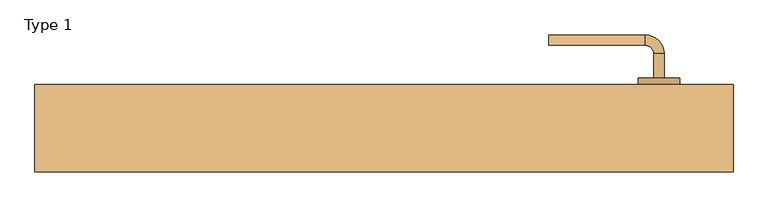
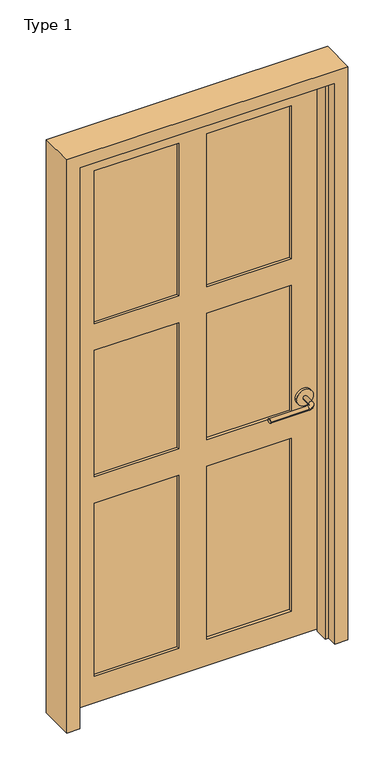
"""IFC4 building model written with IfcOpenShell, lengths in millimetres: door geometry, Type 1."""

from ifc_helpers import new_model, si_unit, point, frame, frame_2d, origin, place, context, project, spatial, circle_curve, ellipse_curve, trimmed, segment, composite_curve, outline, extrude, faceted_brep, source, transform, mapped, element, save
from ifc_brep_helpers import plane_surface, cylinder_surface, revolved_surface, advanced_brep


def type_1_5cb65720(model_context):
    return source(origin(), model_context, "Body", "SolidModel", [
        advanced_brep(
        [(509.0006555, 20.8295325, 914.4), (494.0006555, 20.8295325, 914.4), (494.0006555, -14.1704675, 914.4), (509.0006555, -14.1704675, 914.4), (481.5006555, -26.6704675, 914.4), (481.5006555, -41.6704675, 914.4), (341.5006555, -41.6704675, 914.4), (341.5006555, -26.6704675, 914.4)],
        [
            (0, 1, circle_curve(frame((501.5006555, 20.8295325, 914.4), z_axis=(0.0, 1.0, 0.0), x_axis=(-1.0, 0.0, 0.0)), 7.5)),
            (1, 0, circle_curve(frame((501.5006555, 20.8295325, 914.4), z_axis=(0.0, 1.0, 0.0), x_axis=(-1.0, 0.0, 0.0)), 7.5)),
            (1, 2),
            (2, 3, circle_curve(frame((501.5006555, -14.1704675, 914.4), z_axis=(0.0, 1.0, 0.0), x_axis=(-1.0, 0.0, 0.0)), 7.5)),
            (3, 0),
            (3, 2, circle_curve(frame((501.5006555, -14.1704675, 914.4), z_axis=(0.0, 1.0, 0.0), x_axis=(-1.0, 0.0, 0.0)), 7.5)),
            (4, 5, circle_curve(frame((481.5006555, -34.1704675, 914.4), z_axis=(1.0, 0.0, 0.0), x_axis=(0.0, 1.0, 0.0)), 7.5)),
            (5, 3, circle_curve(frame((481.5006555, -14.1704675, 914.4), z_axis=(0.0, 0.0, 1.0), x_axis=(1.0, 0.0, 0.0)), 27.5)),
            (2, 4, circle_curve(frame((481.5006555, -14.1704675, 914.4), z_axis=(0.0, 0.0, -1.0), x_axis=(1.0, 0.0, 0.0)), 12.5)),
            (5, 4, circle_curve(frame((481.5006555, -34.1704675, 914.4), z_axis=(1.0, 0.0, 0.0), x_axis=(0.0, 1.0, 0.0)), 7.5)),
            (6, 7, circle_curve(frame((341.5006555, -34.1704675, 914.4), z_axis=(-1.0, 0.0, 0.0), x_axis=(0.0, 1.0, 0.0)), 7.5)),
            (7, 6, circle_curve(frame((341.5006555, -34.1704675, 914.4), z_axis=(-1.0, 0.0, 0.0), x_axis=(0.0, 1.0, 0.0)), 7.5)),
            (4, 7),
            (6, 5),
        ],
        [
            plane_surface(frame((501.5006555, 20.8295325, 914.4), z_axis=(0.0, 1.0, 0.0), x_axis=(0.0, 0.0, 1.0))),
            cylinder_surface(frame((501.5006555, 20.8295325, 914.4), z_axis=(0.0, 1.0, 0.0), x_axis=(-1.0, 0.0, 0.0)), 7.5),
            revolved_surface(trimmed(ellipse_curve(frame((501.5006555, -14.1704675, 914.4), z_axis=(0.0, -1.0, 0.0), x_axis=(-1.0, 0.0, 0.0)), 7.5, 7.5), [point((509.0006555, -14.1704675, 914.4))], [point((494.0006555, -14.1704675, 914.4))], True, "CARTESIAN"), (481.5006555, -14.1704675, 914.4), (0.0, 0.0, 1.0)),
            revolved_surface(trimmed(ellipse_curve(frame((501.5006555, -14.1704675, 914.4), z_axis=(0.0, -1.0, 0.0), x_axis=(-1.0, 0.0, 0.0)), 7.5, 7.5), [point((494.0006555, -14.1704675, 914.4))], [point((509.0006555, -14.1704675, 914.4))], True, "CARTESIAN"), (481.5006555, -14.1704675, 914.4), (0.0, 0.0, 1.0)),
            plane_surface(frame((341.5006555, -34.1704675, 914.4), z_axis=(-1.0, 0.0, 0.0), x_axis=(0.0, 0.0, 1.0))),
            cylinder_surface(frame((481.5006555, -34.1704675, 914.4), z_axis=(1.0, 0.0, 0.0), x_axis=(0.0, 1.0, 0.0)), 7.5),
        ],
        [
            (0, [[1, 2]]),
            (1, [[3, 4, 5, -2]]),
            (1, [[-5, 6, -3, -1]]),
            (2, [[7, 8, -4, 9]]),
            (3, [[10, -9, -6, -8]]),
            (4, [[11, 12]]),
            (5, [[13, -11, 14, -7]]),
            (5, [[-14, -12, -13, -10]]),
        ],
    ),
        extrude(outline(composite_curve([segment(trimmed(circle_curve(frame_2d((914.4, 501.5006555)), 30.0), [point((914.4, 531.5006555))], [point((914.4, 471.5006555))], False, "CARTESIAN"), True, "CONTINUOUS"), segment(trimmed(circle_curve(frame_2d((914.4, 501.5006555)), 30.0), [point((914.4, 471.5006555))], [point((914.4, 531.5006555))], False, "CARTESIAN"), True, "CONTINUOUS")], self_intersect=False)), frame((0.0, 20.8295325, 0.0), z_axis=(0.0, 1.0, 0.0), x_axis=(0.0, 0.0, 1.0)), (0.0, 0.0, 1.0), 10.0),
        advanced_brep(
        [(509.0006555, 75.7545325, 914.4), (494.0006555, 75.7545325, 914.4), (509.0006555, 110.7545325, 914.4), (494.0006555, 110.7545325, 914.4), (481.5006555, 123.2545325, 914.4), (481.5006555, 138.2545325, 914.4), (341.5006555, 138.2545325, 914.4), (341.5006555, 123.2545325, 914.4)],
        [
            (0, 1, circle_curve(frame((501.5006555, 75.7545325, 914.4), z_axis=(0.0, -1.0, 0.0), x_axis=(-1.0, 0.0, 0.0)), 7.5)),
            (1, 0, circle_curve(frame((501.5006555, 75.7545325, 914.4), z_axis=(0.0, -1.0, 0.0), x_axis=(-1.0, 0.0, 0.0)), 7.5)),
            (0, 2),
            (2, 3, circle_curve(frame((501.5006555, 110.7545325, 914.4), z_axis=(0.0, -1.0, 0.0), x_axis=(-1.0, 0.0, 0.0)), 7.5)),
            (3, 1),
            (3, 2, circle_curve(frame((501.5006555, 110.7545325, 914.4), z_axis=(0.0, -1.0, 0.0), x_axis=(-1.0, 0.0, 0.0)), 7.5)),
            (4, 3, circle_curve(frame((481.5006555, 110.7545325, 914.4), z_axis=(0.0, 0.0, -1.0), x_axis=(1.0, 0.0, 0.0)), 12.5)),
            (2, 5, circle_curve(frame((481.5006555, 110.7545325, 914.4), z_axis=(0.0, 0.0, 1.0), x_axis=(1.0, 0.0, 0.0)), 27.5)),
            (5, 4, circle_curve(frame((481.5006555, 130.7545325, 914.4), z_axis=(1.0, 0.0, 0.0), x_axis=(0.0, -1.0, 0.0)), 7.5)),
            (4, 5, circle_curve(frame((481.5006555, 130.7545325, 914.4), z_axis=(1.0, 0.0, 0.0), x_axis=(0.0, -1.0, 0.0)), 7.5)),
            (6, 7, circle_curve(frame((341.5006555, 130.7545325, 914.4), z_axis=(-1.0, 0.0, 0.0), x_axis=(0.0, -1.0, 0.0)), 7.5)),
            (7, 6, circle_curve(frame((341.5006555, 130.7545325, 914.4), z_axis=(-1.0, 0.0, 0.0), x_axis=(0.0, -1.0, 0.0)), 7.5)),
            (5, 6),
            (7, 4),
        ],
        [
            plane_surface(frame((501.5006555, 75.7545325, 914.4), z_axis=(0.0, -1.0, 0.0), x_axis=(0.0, 0.0, 1.0))),
            cylinder_surface(frame((501.5006555, 75.7545325, 914.4), z_axis=(0.0, -1.0, 0.0), x_axis=(-1.0, 0.0, 0.0)), 7.5),
            revolved_surface(trimmed(ellipse_curve(frame((501.5006555, 110.7545325, 914.4), z_axis=(0.0, -1.0, 0.0), x_axis=(-1.0, 0.0, 0.0)), 7.5, 7.5), [point((509.0006555, 110.7545325, 914.4))], [point((494.0006555, 110.7545325, 914.4))], True, "CARTESIAN"), (481.5006555, 110.7545325, 914.4), (0.0, 0.0, 1.0)),
            revolved_surface(trimmed(ellipse_curve(frame((501.5006555, 110.7545325, 914.4), z_axis=(0.0, -1.0, 0.0), x_axis=(-1.0, 0.0, 0.0)), 7.5, 7.5), [point((494.0006555, 110.7545325, 914.4))], [point((509.0006555, 110.7545325, 914.4))], True, "CARTESIAN"), (481.5006555, 110.7545325, 914.4), (0.0, 0.0, 1.0)),
            plane_surface(frame((341.5006555, 130.7545325, 914.4), z_axis=(-1.0, 0.0, 0.0), x_axis=(0.0, 0.0, 1.0))),
            cylinder_surface(frame((481.5006555, 130.7545325, 914.4), z_axis=(1.0, 0.0, 0.0), x_axis=(0.0, -1.0, 0.0)), 7.5),
        ],
        [
            (0, [[1, 2]]),
            (1, [[-1, 3, 4, 5]]),
            (1, [[-2, -5, 6, -3]]),
            (2, [[7, -4, 8, 9]]),
            (3, [[-8, -6, -7, 10]]),
            (4, [[11, 12]]),
            (5, [[-9, 13, -12, 14]]),
            (5, [[-10, -14, -11, -13]]),
        ],
    ),
        extrude(outline(composite_curve([segment(trimmed(circle_curve(frame_2d((914.4, 501.5006555)), 30.0), [point((914.4, 531.5006555))], [point((914.4, 471.5006555))], False, "CARTESIAN"), True, "CONTINUOUS"), segment(trimmed(circle_curve(frame_2d((914.4, 501.5006555)), 30.0), [point((914.4, 471.5006555))], [point((914.4, 531.5006555))], False, "CARTESIAN"), True, "CONTINUOUS")], self_intersect=False)), frame((0.0, 65.7545325, 0.0), z_axis=(0.0, 1.0, 0.0), x_axis=(0.0, 0.0, 1.0)), (0.0, 0.0, 1.0), 10.0),
        faceted_brep([(-355.7493445, 65.7545325, 6.35), (-355.7493445, 65.7545325, 2139.95), (558.6506555, 65.7545325, 2139.95), (558.6506555, 65.7545325, 6.35), (-254.1493445, 65.7545325, 768.35), (-254.1493445, 65.7545325, 107.95), (50.6506555, 65.7545325, 107.95), (50.6506555, 65.7545325, 768.35), (152.2506555, 65.7545325, 768.35), (152.2506555, 65.7545325, 107.95), (457.0506555, 65.7545325, 107.95), (457.0506555, 65.7545325, 768.35), (152.2506555, 65.7545325, 1352.55), (152.2506555, 65.7545325, 869.95), (457.0506555, 65.7545325, 869.95), (457.0506555, 65.7545325, 1352.55), (-254.1493445, 65.7545325, 1352.55), (-254.1493445, 65.7545325, 869.95), (50.6506555, 65.7545325, 869.95), (50.6506555, 65.7545325, 1352.55), (152.2506555, 65.7545325, 2038.35), (152.2506555, 65.7545325, 1454.15), (457.0506555, 65.7545325, 1454.15), (457.0506555, 65.7545325, 2038.35), (-254.1493445, 65.7545325, 2038.35), (-254.1493445, 65.7545325, 1454.15), (50.6506555, 65.7545325, 1454.15), (50.6506555, 65.7545325, 2038.35), (-355.7493445, 30.8295325, 6.35), (558.6506555, 30.8295325, 6.35), (558.6506555, 30.8295325, 2139.95), (-355.7493445, 30.8295325, 2139.95), (152.2506555, 30.8295325, 869.95), (152.2506555, 30.8295325, 1352.55), (457.0506555, 30.8295325, 1352.55), (457.0506555, 30.8295325, 869.95), (-254.1493445, 30.8295325, 869.95), (-254.1493445, 30.8295325, 1352.55), (50.6506555, 30.8295325, 1352.55), (50.6506555, 30.8295325, 869.95), (-254.1493445, 30.8295325, 107.95), (-254.1493445, 30.8295325, 768.35), (50.6506555, 30.8295325, 768.35), (50.6506555, 30.8295325, 107.95), (152.2506555, 30.8295325, 107.95), (152.2506555, 30.8295325, 768.35), (457.0506555, 30.8295325, 768.35), (457.0506555, 30.8295325, 107.95), (152.2506555, 30.8295325, 1454.15), (152.2506555, 30.8295325, 2038.35), (457.0506555, 30.8295325, 2038.35), (457.0506555, 30.8295325, 1454.15), (-254.1493445, 30.8295325, 1454.15), (-254.1493445, 30.8295325, 2038.35), (50.6506555, 30.8295325, 2038.35), (50.6506555, 30.8295325, 1454.15), (152.2506555, 55.7545325, 1352.55), (152.2506555, 55.7545325, 869.95), (457.0506555, 55.7545325, 869.95), (457.0506555, 55.7545325, 1352.55), (-254.1493445, 55.7545325, 1352.55), (-254.1493445, 55.7545325, 869.95), (50.6506555, 55.7545325, 869.95), (50.6506555, 55.7545325, 1352.55), (-254.1493445, 55.7545325, 768.35), (-254.1493445, 55.7545325, 107.95), (50.6506555, 55.7545325, 107.95), (50.6506555, 55.7545325, 768.35), (152.2506555, 55.7545325, 768.35), (152.2506555, 55.7545325, 107.95), (457.0506555, 55.7545325, 107.95), (457.0506555, 55.7545325, 768.35), (152.2506555, 40.8295325, 869.95), (152.2506555, 40.8295325, 1352.55), (457.0506555, 40.8295325, 1352.55), (457.0506555, 40.8295325, 869.95), (-254.1493445, 40.8295325, 869.95), (-254.1493445, 40.8295325, 1352.55), (50.6506555, 40.8295325, 1352.55), (50.6506555, 40.8295325, 869.95), (-254.1493445, 40.8295325, 107.95), (-254.1493445, 40.8295325, 768.35), (50.6506555, 40.8295325, 768.35), (50.6506555, 40.8295325, 107.95), (152.2506555, 40.8295325, 107.95), (152.2506555, 40.8295325, 768.35), (457.0506555, 40.8295325, 768.35), (457.0506555, 40.8295325, 107.95), (152.2506555, 55.7545325, 2038.35), (457.0506555, 55.7545325, 2038.35), (457.0506555, 55.7545325, 1454.15), (152.2506555, 55.7545325, 1454.15), (-254.1493445, 55.7545325, 2038.35), (50.6506555, 55.7545325, 2038.35), (50.6506555, 55.7545325, 1454.15), (-254.1493445, 55.7545325, 1454.15), (152.2506555, 40.8295325, 2038.35), (152.2506555, 40.8295325, 1454.15), (457.0506555, 40.8295325, 1454.15), (457.0506555, 40.8295325, 2038.35), (-254.1493445, 40.8295325, 2038.35), (-254.1493445, 40.8295325, 1454.15), (50.6506555, 40.8295325, 1454.15), (50.6506555, 40.8295325, 2038.35)], [[[0, 1, 2, 3], [4, 5, 6, 7], [8, 9, 10, 11], [12, 13, 14, 15], [16, 17, 18, 19], [20, 21, 22, 23], [24, 25, 26, 27]], [[28, 29, 30, 31], [32, 33, 34, 35], [36, 37, 38, 39], [40, 41, 42, 43], [44, 45, 46, 47], [48, 49, 50, 51], [52, 53, 54, 55]], [[1, 0, 28, 31]], [[2, 1, 31, 30]], [[3, 2, 30, 29]], [[0, 3, 29, 28]], [[56, 57, 13, 12]], [[57, 58, 14, 13]], [[58, 59, 15, 14]], [[60, 61, 17, 16]], [[61, 62, 18, 17]], [[62, 63, 19, 18]], [[64, 65, 5, 4]], [[65, 66, 6, 5]], [[66, 67, 7, 6]], [[67, 64, 4, 7]], [[68, 69, 9, 8]], [[69, 70, 10, 9]], [[70, 71, 11, 10]], [[71, 68, 8, 11]], [[72, 73, 33, 32]], [[74, 75, 35, 34]], [[75, 72, 32, 35]], [[76, 77, 37, 36]], [[78, 79, 39, 38]], [[79, 76, 36, 39]], [[80, 81, 41, 40]], [[81, 82, 42, 41]], [[82, 83, 43, 42]], [[83, 80, 40, 43]], [[84, 85, 45, 44]], [[85, 86, 46, 45]], [[86, 87, 47, 46]], [[87, 84, 44, 47]], [[56, 59, 58, 57]], [[60, 63, 62, 61]], [[64, 67, 66, 65]], [[68, 71, 70, 69]], [[73, 72, 75, 74]], [[77, 76, 79, 78]], [[81, 80, 83, 82]], [[85, 84, 87, 86]], [[59, 56, 12, 15]], [[63, 60, 16, 19]], [[73, 74, 34, 33]], [[77, 78, 38, 37]], [[88, 89, 90, 91]], [[88, 91, 21, 20]], [[91, 90, 22, 21]], [[90, 89, 23, 22]], [[89, 88, 20, 23]], [[92, 93, 94, 95]], [[92, 95, 25, 24]], [[95, 94, 26, 25]], [[94, 93, 27, 26]], [[93, 92, 24, 27]], [[96, 97, 98, 99]], [[97, 96, 49, 48]], [[98, 97, 48, 51]], [[99, 98, 51, 50]], [[96, 99, 50, 49]], [[100, 101, 102, 103]], [[101, 100, 53, 52]], [[102, 101, 52, 55]], [[103, 102, 55, 54]], [[100, 103, 54, 53]]]),
        faceted_brep([(-406.5493445, 65.7545325, 0.0), (-358.9243445, 65.7545325, 0.0), (-358.9243445, 27.6545325, 0.0), (-346.2243445, 27.6545325, 0.0), (-346.2243445, -23.1454675, 0.0), (-358.9243445, -23.1454675, 0.0), (-358.9243445, -61.2454675, 0.0), (-406.5493445, -61.2454675, 0.0), (-358.9243445, 65.7545325, 2143.125), (-358.9243445, 27.6545325, 2143.125), (-346.2243445, 27.6545325, 2130.425), (-346.2243445, -23.1454675, 2130.425), (-358.9243445, -23.1454675, 2143.125), (-358.9243445, -61.2454675, 2143.125), (609.4506555, 65.7545325, 2190.75), (609.4506555, -61.2454675, 2190.75), (609.4506555, -61.2454675, 0.0), (609.4506555, 65.7545325, 0.0), (-406.5493445, -61.2454675, 2190.75), (561.8256555, -61.2454675, 2143.125), (561.8256555, -61.2454675, 0.0), (561.8256555, -23.1454675, 0.0), (549.1256555, -23.1454675, 0.0), (549.1256555, 27.6545325, 0.0), (561.8256555, 27.6545325, 0.0), (561.8256555, 65.7545325, 0.0), (-406.5493445, 65.7545325, 2190.75), (561.8256555, 65.7545325, 2143.125), (561.8256555, -23.1454675, 2143.125), (549.1256555, -23.1454675, 2130.425), (549.1256555, 27.6545325, 2130.425), (561.8256555, 27.6545325, 2143.125)], [[[0, 1, 2, 3, 4, 5, 6, 7]], [[2, 1, 8, 9]], [[4, 3, 10, 11]], [[6, 5, 12, 13]], [[14, 15, 16, 17]], [[15, 18, 7, 6, 13, 19, 20, 16]], [[17, 16, 20, 21, 22, 23, 24, 25]], [[26, 14, 17, 25, 27, 8, 1, 0]], [[18, 26, 0, 7]], [[21, 20, 19, 28]], [[5, 4, 11, 29, 22, 21, 28, 12]], [[23, 22, 29, 30]], [[3, 2, 9, 31, 24, 23, 30, 10]], [[25, 24, 31, 27]], [[15, 14, 26, 18]], [[13, 12, 28, 19]], [[11, 10, 30, 29]], [[9, 8, 27, 31]]]),
    ])


if __name__ == "__main__":
    model = new_model("IFC4")
    model_context = context("Model", 3, world=origin())
    ifc_project = project(units=[si_unit("LENGTHUNIT", "METRE", prefix="MILLI")], contexts=[model_context])
    site = spatial("IfcSite", under=ifc_project)
    building = spatial("IfcBuilding", under=site)
    placement = place(None, origin())
    type_1_shape = type_1_5cb65720(model_context)
    element("IfcDoor", 1, ObjectType="Type 1", at=placement, inside=building, context=model_context, shape_type="MappedRepresentation", body=[
        mapped(type_1_shape, transform((0.0, 0.0, 0.0), x_axis=(1.0, 0.0, 0.0), y_axis=(0.0, 1.0, 0.0), z_axis=(0.0, 0.0, 1.0))),
    ])
    save(model, "model.ifc")
